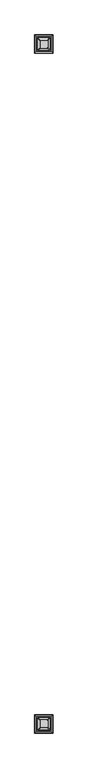
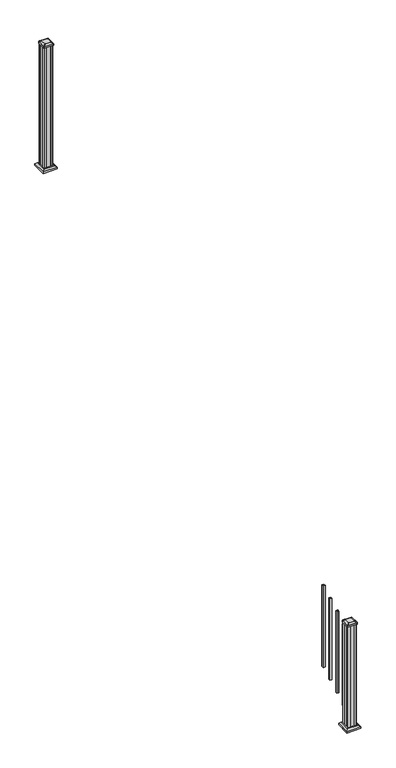
"""IFC4 building model written with IfcOpenShell, lengths in millimetres: railing geometry."""

import ifcopenshell
import ifcopenshell.guid

model = None  # the IFC model being written
_history = None  # IfcOwnerHistory: only IFC2X3 demands one
_inside = {}  # id of a spatial element -> (the spatial element, [elements in it])
_under = {}  # id of a project, library or spatial element -> (it, [spatial elements below it])
_declared = {}  # id of a project -> (the project, [libraries it declares])
_typed = {}  # id of a type object -> (the type object, [elements of that type])
_made_of = {}  # id of a material, layer set ... -> (it, [elements and type objects made of it])


def new_model(schema):
    """Start an empty IFC model of exactly this schema.

    Asked for "IFC4X3", IfcOpenShell would pick the latest addendum, in which some entities
    have other attributes; the version numbers below select the first issue.
    IFC2X3 requires an IfcOwnerHistory on every rooted entity: one is made here for all.
    """
    global model, _history
    if schema == "IFC4X3":
        model = ifcopenshell.file(schema_version=(4, 3, 0, 0))
    else:
        model = ifcopenshell.file(schema=schema)
    _inside.clear()
    _under.clear()
    _declared.clear()
    _typed.clear()
    _made_of.clear()
    _history = None
    if model.schema == "IFC2X3":
        org = make("IfcOrganization", Name="unknown")
        user = make(
            "IfcPersonAndOrganization",
            ThePerson=make("IfcPerson", FamilyName="unknown"),
            TheOrganization=org,
        )
        app = make(
            "IfcApplication",
            ApplicationDeveloper=org,
            Version="unknown",
            ApplicationFullName="unknown",
            ApplicationIdentifier="unknown",
        )
        _history = make(
            "IfcOwnerHistory",
            OwningUser=user,
            OwningApplication=app,
            ChangeAction="ADDED",
            CreationDate=0,
        )
    return model


def make(cls, **values):
    """One entity of the class cls with the attributes given. An attribute that is None is left unset."""
    return model.create_entity(
        cls, **{name: value for name, value in values.items() if value is not None}
    )


def rooted(cls, **values):
    """An entity with a GlobalId (a new one), such as an element, a storey or a relation."""
    return make(cls, GlobalId=ifcopenshell.guid.new(), OwnerHistory=_history, **values)


def si_unit(unit_type, name, prefix=None):
    """IfcSIUnit, for example si_unit("LENGTHUNIT", "METRE", prefix="MILLI")."""
    return make("IfcSIUnit", UnitType=unit_type, Prefix=prefix, Name=name)


def assignment(units):
    """IfcUnitAssignment: the units of a project."""
    return None if units is None else make("IfcUnitAssignment", Units=units)


def point(xyz):
    """IfcCartesianPoint."""
    return None if xyz is None else make("IfcCartesianPoint", Coordinates=xyz)


def direction(xyz):
    """IfcDirection."""
    return None if xyz is None else make("IfcDirection", DirectionRatios=xyz)


def frame(location, z_axis=None, x_axis=None):
    """IfcAxis2Placement3D, a coordinate frame: its origin and axes. An axis left out is left unset."""
    return make(
        "IfcAxis2Placement3D",
        Location=point(location),
        Axis=direction(z_axis),
        RefDirection=direction(x_axis),
    )


def frame_2d(location, x_axis=None):
    """IfcAxis2Placement2D, a coordinate frame in the plane: its origin and x axis."""
    return make(
        "IfcAxis2Placement2D", Location=point(location), RefDirection=direction(x_axis)
    )


def origin():
    """The frame at (0, 0, 0) with its axes left unset."""
    return frame((0.0, 0.0, 0.0))


def place(relative_to, where):
    """IfcLocalPlacement: puts the frame where relative to a parent placement (None: the world)."""
    return make(
        "IfcLocalPlacement", PlacementRelTo=relative_to, RelativePlacement=where
    )


def context(
    kind, dimensions, precision=None, world=None, true_north=None, identifier=None
):
    """IfcGeometricRepresentationContext, for example the 3D "Model" context."""
    return make(
        "IfcGeometricRepresentationContext",
        ContextIdentifier=identifier,
        ContextType=kind,
        CoordinateSpaceDimension=dimensions,
        Precision=precision,
        WorldCoordinateSystem=world,
        TrueNorth=true_north,
    )


def project(units=None, contexts=None):
    """IfcProject with its units and contexts."""
    return rooted(
        "IfcProject",
        Name="project",
        RepresentationContexts=contexts,
        UnitsInContext=assignment(units),
    )


def spatial(cls, under=None, at=None, **own):
    """A site, building, storey or space (cls), placed at a placement, below another one or the project."""
    s = rooted(cls, ObjectPlacement=at, **own)
    if under is not None:
        _under.setdefault(under.id(), (under, []))[1].append(s)
    return s


def polyline(points):
    """IfcPolyline through the points."""
    return make("IfcPolyline", Points=[point(p) for p in points])


def circle_curve(where, radius):
    """IfcCircle in the frame where."""
    return make("IfcCircle", Position=where, Radius=radius)


def trimmed(basis, trim1, trim2, sense, master):
    """IfcTrimmedCurve: the piece of a basis curve between two trims."""
    return make(
        "IfcTrimmedCurve",
        BasisCurve=basis,
        Trim1=trim1,
        Trim2=trim2,
        SenseAgreement=sense,
        MasterRepresentation=master,
    )


def segment(curve, same_sense, transition):
    """IfcCompositeCurveSegment."""
    return make(
        "IfcCompositeCurveSegment",
        Transition=transition,
        SameSense=same_sense,
        ParentCurve=curve,
    )


def composite_curve(segments, self_intersect=None):
    """IfcCompositeCurve: segments joined end to end."""
    return make("IfcCompositeCurve", Segments=segments, SelfIntersect=self_intersect)


def outline(outer, holes=None, kind="AREA"):
    """IfcArbitraryClosedProfileDef: a profile drawn as a closed curve; with holes, ...WithVoids."""
    if holes is None:
        return make("IfcArbitraryClosedProfileDef", ProfileType=kind, OuterCurve=outer)
    return make(
        "IfcArbitraryProfileDefWithVoids",
        ProfileType=kind,
        OuterCurve=outer,
        InnerCurves=holes,
    )


def extrude(swept, where, along, depth):
    """IfcExtrudedAreaSolid: the profile swept, set in the frame where, extruded along a direction by depth."""
    return make(
        "IfcExtrudedAreaSolid",
        SweptArea=swept,
        Position=where,
        ExtrudedDirection=direction(along),
        Depth=depth,
    )


def faces_of(points, faces, orient=None, outer=None):
    """IfcFace entities. A face is a list of loops; a loop is a list of indices into points, from 0.

    orient and outer hold one flag for each loop. By default every Orientation is true, the
    first loop of a face is its IfcFaceOuterBound and the others are IfcFaceBound.
    """
    made = []
    for i, loops in enumerate(faces):
        bounds = []
        for j, loop in enumerate(loops):
            is_outer = j == 0 if outer is None else outer[i][j]
            bounds.append(
                make(
                    "IfcFaceOuterBound" if is_outer else "IfcFaceBound",
                    Bound=make("IfcPolyLoop", Polygon=[points[k] for k in loop]),
                    Orientation=True if orient is None else orient[i][j],
                )
            )
        made.append(make("IfcFace", Bounds=bounds))
    return made


def faceted_brep(points, faces, orient=None, outer=None, voids=None):
    """IfcFacetedBrep: a solid bounded by flat faces; with voids (closed shells), ...WithVoids."""
    shared = [point(p) for p in points]
    hull = make("IfcClosedShell", CfsFaces=faces_of(shared, faces, orient, outer))
    if voids is None:
        return make("IfcFacetedBrep", Outer=hull)
    return make(
        "IfcFacetedBrepWithVoids",
        Outer=hull,
        Voids=[
            make(cls, CfsFaces=faces_of(shared, fs, o, b)) for cls, fs, o, b in voids
        ],
    )


def shape(context_of_items, identifier, shape_type, items):
    """IfcShapeRepresentation: the items that make up one representation, for example the "Body"."""
    return make(
        "IfcShapeRepresentation",
        ContextOfItems=context_of_items,
        RepresentationIdentifier=identifier,
        RepresentationType=shape_type,
        Items=items,
    )


def source(mapping_origin, context_of_items, identifier, shape_type, items):
    """IfcRepresentationMap: a shape defined once, which mapped items show again and again."""
    return make(
        "IfcRepresentationMap",
        MappingOrigin=mapping_origin,
        MappedRepresentation=shape(context_of_items, identifier, shape_type, items),
    )


def transform(
    local_origin,
    x_axis=None,
    y_axis=None,
    z_axis=None,
    scale=None,
    scale2=None,
    scale3=None,
    uniform=True,
):
    """IfcCartesianTransformationOperator3D, or its non-uniform kind. x_axis, y_axis, z_axis: its Axis1, 2, 3."""
    if uniform:
        return make(
            "IfcCartesianTransformationOperator3D",
            Axis1=direction(x_axis),
            Axis2=direction(y_axis),
            LocalOrigin=point(local_origin),
            Scale=scale,
            Axis3=direction(z_axis),
        )
    return make(
        "IfcCartesianTransformationOperator3DnonUniform",
        Axis1=direction(x_axis),
        Axis2=direction(y_axis),
        LocalOrigin=point(local_origin),
        Scale=scale,
        Axis3=direction(z_axis),
        Scale2=scale2,
        Scale3=scale3,
    )


def mapped(mapping_source, mapping_target):
    """IfcMappedItem: shows the shape of a source again, moved by a transform."""
    return make(
        "IfcMappedItem", MappingSource=mapping_source, MappingTarget=mapping_target
    )


def made_of(thing, what):
    """Note that an element or type object is made of a material, layer set ...; save() writes the relation."""
    if what is not None:
        _made_of.setdefault(what.id(), (what, []))[1].append(thing)
    return thing


def element(
    cls,
    number,
    at=None,
    inside=None,
    cuts=None,
    type_object=None,
    material=None,
    context=None,
    identifier="Body",
    shape_type=None,
    held_by="IfcProductDefinitionShape",
    body=None,
    shapes=None,
    **own,
):
    """One element of the class cls, such as IfcWall. Its Tag is "e" and its number.

    at: its placement. inside: the storey or other place that contains it. cuts: it is an
    opening in that element (IfcRelVoidsElement). A single representation is given by context,
    identifier, shape_type and body (its items); several are given by shapes. held_by: the class
    of the entity that holds the representations. save() writes the other relations.
    """
    e = rooted(cls, Tag="e%d" % number, ObjectPlacement=at, **own)
    if body is not None:
        shapes = [shape(context, identifier, shape_type, body)]
    if shapes is not None:
        e.Representation = make(held_by, Representations=shapes)
    if inside is not None:
        _inside.setdefault(inside.id(), (inside, []))[1].append(e)
    if cuts is not None:
        rooted(
            "IfcRelVoidsElement", RelatingBuildingElement=cuts, RelatedOpeningElement=e
        )
    if type_object is not None:
        _typed.setdefault(type_object.id(), (type_object, []))[1].append(e)
    return made_of(e, material)


def aggregate(whole, parts):
    """IfcRelAggregates: a whole, such as a stair, and the parts it consists of."""
    return rooted("IfcRelAggregates", RelatingObject=whole, RelatedObjects=parts)


def save(model, path):
    """Write the relations noted so far, then the file.

    IfcRelAggregates (storeys below a building ...), IfcRelContainedInSpatialStructure (elements
    in a storey), IfcRelDefinesByType, IfcRelAssociatesMaterial and IfcRelDeclares: one each for
    every whole, place, type object, material and project.
    """
    for whole, parts in _under.values():
        aggregate(whole, parts)
    for where, things in _inside.values():
        rooted(
            "IfcRelContainedInSpatialStructure",
            RelatedElements=things,
            RelatingStructure=where,
        )
    for kind, things in _typed.values():
        rooted("IfcRelDefinesByType", RelatedObjects=things, RelatingType=kind)
    for what, things in _made_of.values():
        rooted("IfcRelAssociatesMaterial", RelatedObjects=things, RelatingMaterial=what)
    for by, libraries in _declared.values():
        rooted("IfcRelDeclares", RelatingContext=by, RelatedDefinitions=libraries)
    model.write(path)


def plane_surface(at):
    """IfcPlane: the flat surface through the origin of the frame at, square to its z axis."""
    return make("IfcPlane", Position=at)


def extruded_surface(curve, direction_of_extrusion, depth):
    """IfcSurfaceOfLinearExtrusion: the curve pushed along a direction by depth."""
    return make(
        "IfcSurfaceOfLinearExtrusion",
        SweptCurve=make("IfcArbitraryOpenProfileDef", ProfileType="CURVE", Curve=curve),
        ExtrudedDirection=direction(direction_of_extrusion),
        Depth=depth,
    )


def advanced_brep(points, edges, surfaces, faces):
    """IfcAdvancedBrep: a solid bounded by faces that lie on surfaces and meet in shared edges.

    An edge is (start, end): straight between two places in points (the first is 0);
    or (start, end, curve); or (start, end, curve, False) where it runs against its curve.
    A face is (place in surfaces, loops), or (place, loops, False) where it looks against
    its surface's normal. A loop lists edges by number (the first is 1), with a minus sign
    where the edge is run from its end to its start. The first loop is the outer one.
    """
    corners = [point(p) for p in points]
    vertices = [make("IfcVertexPoint", VertexGeometry=c) for c in corners]
    made = []
    for start, end, *more in edges:
        made.append(
            make(
                "IfcEdgeCurve",
                EdgeStart=vertices[start],
                EdgeEnd=vertices[end],
                EdgeGeometry=more[0] if more else make("IfcPolyline", Points=[corners[start], corners[end]]),
                SameSense=more[1] if len(more) > 1 else True,
            )
        )
    hull = []
    for where, loops, *sense in faces:
        bounds = []
        for j, loop in enumerate(loops):
            ring = [make("IfcOrientedEdge", EdgeElement=made[abs(k) - 1], Orientation=k > 0) for k in loop]
            bounds.append(
                make(
                    "IfcFaceOuterBound" if j == 0 else "IfcFaceBound",
                    Bound=make("IfcEdgeLoop", EdgeList=ring),
                    Orientation=True,
                )
            )
        hull.append(make("IfcAdvancedFace", Bounds=bounds, FaceSurface=surfaces[where], SameSense=sense[0] if sense else True))
    return make("IfcAdvancedBrep", Outer=make("IfcClosedShell", CfsFaces=hull))


def railing_377e6600(model_context):
    return source(origin(), model_context, "Body", "SolidModel", [
        extrude(outline(polyline([(11118.6692659, 2155.5355319), (11118.6692659, 2174.5855319), (11137.7192659, 2174.5855319), (11137.7192659, 2155.5355319), (11118.6692659, 2155.5355319)]), holes=[polyline([(11119.0661409, 2155.9324069), (11137.3223909, 2155.9324069), (11137.3223909, 2174.1886569), (11119.0661409, 2174.1886569), (11119.0661409, 2155.9324069)])]), frame((0.0, 0.0, 485.4181003), z_axis=(0.0, 0.0, 1.0), x_axis=(1.0, 0.0, 0.0)), (0.0, 0.0, 1.0), 812.8041219),
        extrude(outline(polyline([(11118.6692659, 2044.2835319), (11118.6692659, 2063.3335319), (11137.7192659, 2063.3335319), (11137.7192659, 2044.2835319), (11118.6692659, 2044.2835319)]), holes=[polyline([(11119.0661409, 2044.6804069), (11137.3223909, 2044.6804069), (11137.3223909, 2062.9366569), (11119.0661409, 2062.9366569), (11119.0661409, 2044.6804069)])]), frame((0.0, 0.0, 423.6114336), z_axis=(0.0, 0.0, 1.0), x_axis=(1.0, 0.0, 0.0)), (0.0, 0.0, 1.0), 812.8041219),
        extrude(outline(polyline([(11118.6692659, 1933.0315319), (11118.6692659, 1952.0815319), (11137.7192659, 1952.0815319), (11137.7192659, 1933.0315319), (11118.6692659, 1933.0315319)]), holes=[polyline([(11119.0661409, 1933.4284069), (11137.3223909, 1933.4284069), (11137.3223909, 1951.6846569), (11119.0661409, 1951.6846569), (11119.0661409, 1933.4284069)])]), frame((0.0, 0.0, 361.804767), z_axis=(0.0, 0.0, 1.0), x_axis=(1.0, 0.0, 0.0)), (0.0, 0.0, 1.0), 812.8041219),
        extrude(outline(polyline([(11118.6692659, 1821.7795319), (11118.6692659, 1840.8295319), (11137.7192659, 1840.8295319), (11137.7192659, 1821.7795319), (11118.6692659, 1821.7795319)]), holes=[polyline([(11119.0661409, 1822.1764069), (11137.3223909, 1822.1764069), (11137.3223909, 1840.4326569), (11119.0661409, 1840.4326569), (11119.0661409, 1822.1764069)])]), frame((0.0, 0.0, 299.9981003), z_axis=(0.0, 0.0, 1.0), x_axis=(1.0, 0.0, 0.0)), (0.0, 0.0, 1.0), 812.8041219),
        extrude(outline(polyline([(11167.8817659, 6655.9075319), (11148.2602659, 6655.9075319), (11147.4982659, 6657.4950319), (11108.8902659, 6657.4950319), (11108.1282659, 6655.9075319), (11088.5067659, 6655.9075319), (11086.9192659, 6657.4950319), (11086.9192659, 6677.1165319), (11088.5067659, 6677.8785319), (11088.5067659, 6716.4865319), (11086.9192659, 6717.2485319), (11086.9192659, 6736.8700319), (11088.5067659, 6738.4575319), (11108.1282659, 6738.4575319), (11108.8902659, 6736.8700319), (11147.4982659, 6736.8700319), (11148.2602659, 6738.4575319), (11167.8817659, 6738.4575319), (11169.4692659, 6736.8700319), (11169.4692659, 6717.2485319), (11167.8817659, 6716.4865319), (11167.8817659, 6677.8785319), (11169.4692659, 6677.1165319), (11169.4692659, 6657.4950319), (11167.8817659, 6655.9075319)])), frame((0.0, 0.0, 2709.3333333), z_axis=(0.0, 0.0, 1.0), x_axis=(1.0, 0.0, 0.0)), (0.0, 0.0, 1.0), 1223.6987075),
        faceted_brep([(11075.6083284, 6644.5965944, 2737.9083333), (11180.7802034, 6644.5965944, 2737.9083333), (11180.7802034, 6749.7684694, 2737.9083333), (11075.6083284, 6749.7684694, 2737.9083333), (11061.5688753, 6630.5571413, 2724.5733333), (11061.5688753, 6763.8079225, 2724.5733333), (11194.8196565, 6763.8079225, 2724.5733333), (11194.8196565, 6630.5571413, 2724.5733333)], [[[0, 1, 2, 3]], [[4, 5, 6, 7]], [[4, 7, 1, 0]], [[7, 6, 2, 1]], [[6, 5, 3, 2]], [[5, 4, 0, 3]]]),
        extrude(outline(polyline([(11061.5688753, 6630.5571413), (11061.5688753, 6763.8079225), (11194.8196565, 6763.8079225), (11194.8196565, 6630.5571413), (11061.5688753, 6630.5571413)])), frame((0.0, 0.0, 2709.3333333), z_axis=(0.0, 0.0, 1.0), x_axis=(1.0, 0.0, 0.0)), (0.0, 0.0, 1.0), 15.24),
        advanced_brep(
        [(11153.9911409, 6668.2106569, 3961.6070408), (11157.1661409, 6671.3856569, 3961.6070408), (11157.1661409, 6722.9794069, 3961.6070408), (11153.9911409, 6726.1544069, 3961.6070408), (11102.3973909, 6726.1544069, 3961.6070408), (11099.2223909, 6722.9794069, 3961.6070408), (11099.2223909, 6671.3856569, 3961.6070408), (11102.3973909, 6668.2106569, 3961.6070408), (11170.2630159, 6651.9387819, 3950.3040408), (11086.1255159, 6651.9387819, 3950.3040408), (11082.9505159, 6655.1137819, 3950.3040408), (11082.9505159, 6739.2512819, 3950.3040408), (11086.1255159, 6742.4262819, 3950.3040408), (11170.2630159, 6742.4262819, 3950.3040408), (11173.4380159, 6739.2512819, 3950.3040408), (11173.4380159, 6655.1137819, 3950.3040408)],
        [
            (0, 1, circle_curve(frame((11153.9911409, 6671.3856569, 3961.6070408), z_axis=(0.0, 0.0, 1.0), x_axis=(0.0, 1.0, 0.0)), 3.175)),
            (1, 2),
            (2, 3, circle_curve(frame((11153.9911409, 6722.9794069, 3961.6070408), z_axis=(0.0, 0.0, 1.0), x_axis=(0.0, 1.0, 0.0)), 3.175)),
            (3, 4),
            (4, 5, circle_curve(frame((11102.3973909, 6722.9794069, 3961.6070408), z_axis=(0.0, 0.0, 1.0), x_axis=(0.0, 1.0, 0.0)), 3.175)),
            (5, 6),
            (6, 7, circle_curve(frame((11102.3973909, 6671.3856569, 3961.6070408), z_axis=(0.0, 0.0, 1.0), x_axis=(0.0, 1.0, 0.0)), 3.175)),
            (7, 0),
            (8, 9),
            (9, 10, circle_curve(frame((11086.1255159, 6655.1137819, 3950.3040408), z_axis=(0.0, 0.0, -1.0), x_axis=(0.0, 1.0, 0.0)), 3.175)),
            (10, 11),
            (11, 12, circle_curve(frame((11086.1255159, 6739.2512819, 3950.3040408), z_axis=(0.0, 0.0, -1.0), x_axis=(0.0, 1.0, 0.0)), 3.175)),
            (12, 13),
            (13, 14, circle_curve(frame((11170.2630159, 6739.2512819, 3950.3040408), z_axis=(0.0, 0.0, -1.0), x_axis=(0.0, 1.0, 0.0)), 3.175)),
            (14, 15),
            (15, 8, circle_curve(frame((11170.2630159, 6655.1137819, 3950.3040408), z_axis=(0.0, 0.0, -1.0), x_axis=(0.0, 1.0, 0.0)), 3.175)),
            (15, 1),
            (0, 8),
            (14, 2),
            (13, 3),
            (12, 4),
            (11, 5),
            (10, 6),
            (9, 7),
        ],
        [
            plane_surface(frame((11128.1942659, 6697.1825319, 3961.6070408), z_axis=(0.0, 0.0, 1.0), x_axis=(1.0, 0.0, 0.0))),
            plane_surface(frame((11128.1942659, 6697.1825319, 3950.3040408), z_axis=(0.0, 0.0, -1.0), x_axis=(1.0, 0.0, 0.0))),
            extruded_surface(trimmed(circle_curve(frame((11170.2630159, 6655.1137819, 3950.3040408), z_axis=(0.0, 0.0, 1.0), x_axis=(0.0, 1.0, 0.0)), 3.175), [point((11170.2630159, 6651.9387819, 3950.3040408))], [point((11173.4380159, 6655.1137819, 3950.3040408))], True, "CARTESIAN"), (-16.271875000000364, 16.271875000000364, 11.302999999999884), 25.63797263886657),
            plane_surface(frame((11173.4380159, 6697.1825319, 3950.3040408), z_axis=(0.5705009161540686, 0.0, 0.8212969649690474), x_axis=(0.0, 1.0, 0.0))),
            extruded_surface(trimmed(circle_curve(frame((11170.2630159, 6739.2512819, 3950.3040408), z_axis=(0.0, 0.0, 1.0), x_axis=(0.0, 1.0, 0.0)), 3.175), [point((11173.4380159, 6739.2512819, 3950.3040408))], [point((11170.2630159, 6742.4262819, 3950.3040408))], True, "CARTESIAN"), (-16.271875000000364, -16.271875000000364, 11.302999999999884), 25.63797263886657),
            plane_surface(frame((11128.1942659, 6742.4262819, 3950.3040408), z_axis=(0.0, 0.5705009161540291, 0.8212969649690747), x_axis=(-1.0, 0.0, 0.0))),
            extruded_surface(trimmed(circle_curve(frame((11086.1255159, 6739.2512819, 3950.3040408), z_axis=(0.0, 0.0, 1.0), x_axis=(0.0, 1.0, 0.0)), 3.175), [point((11086.1255159, 6742.4262819, 3950.3040408))], [point((11082.9505159, 6739.2512819, 3950.3040408))], True, "CARTESIAN"), (16.271875000000364, -16.271875000000364, 11.302999999999884), 25.63797263886657),
            plane_surface(frame((11082.9505159, 6697.1825319, 3950.3040408), z_axis=(-0.5705009161540234, 0.0, 0.8212969649690787), x_axis=(0.0, -1.0, 0.0))),
            extruded_surface(trimmed(circle_curve(frame((11086.1255159, 6655.1137819, 3950.3040408), z_axis=(0.0, 0.0, 1.0), x_axis=(0.0, 1.0, 0.0)), 3.175), [point((11082.9505159, 6655.1137819, 3950.3040408))], [point((11086.1255159, 6651.9387819, 3950.3040408))], True, "CARTESIAN"), (16.271875000000364, 16.271875000000364, 11.302999999999884), 25.63797263886657),
            plane_surface(frame((11128.1942659, 6651.9387819, 3950.3040408), z_axis=(0.0, -0.570500916154034, 0.8212969649690713), x_axis=(1.0, 0.0, 0.0))),
        ],
        [
            (0, [[1, 2, 3, 4, 5, 6, 7, 8]]),
            (1, [[9, 10, 11, 12, 13, 14, 15, 16]]),
            (2, [[-16, 17, -1, 18]]),
            (3, [[-15, 19, -2, -17]]),
            (4, [[-14, 20, -3, -19]]),
            (5, [[-13, 21, -4, -20]]),
            (6, [[-12, 22, -5, -21]]),
            (7, [[-11, 23, -6, -22]]),
            (8, [[-10, 24, -7, -23]]),
            (9, [[-9, -18, -8, -24]]),
        ],
    ),
        extrude(outline(composite_curve([segment(polyline([(11170.2630159, 6651.9387819), (11086.1255159, 6651.9387819)]), True, "CONTINUOUS"), segment(trimmed(circle_curve(frame_2d((11086.1255159, 6655.1137819)), 3.175), [point((11086.1255159, 6651.9387819))], [point((11082.9505159, 6655.1137819))], False, "CARTESIAN"), True, "CONTINUOUS"), segment(polyline([(11082.9505159, 6655.1137819), (11082.9505159, 6739.2512819)]), True, "CONTINUOUS"), segment(trimmed(circle_curve(frame_2d((11086.1255159, 6739.2512819)), 3.175), [point((11082.9505159, 6739.2512819))], [point((11086.1255159, 6742.4262819))], False, "CARTESIAN"), True, "CONTINUOUS"), segment(polyline([(11086.1255159, 6742.4262819), (11170.2630159, 6742.4262819)]), True, "CONTINUOUS"), segment(trimmed(circle_curve(frame_2d((11170.2630159, 6739.2512819)), 3.175), [point((11170.2630159, 6742.4262819))], [point((11173.4380159, 6739.2512819))], False, "CARTESIAN"), True, "CONTINUOUS"), segment(polyline([(11173.4380159, 6739.2512819), (11173.4380159, 6655.1137819)]), True, "CONTINUOUS"), segment(trimmed(circle_curve(frame_2d((11170.2630159, 6655.1137819)), 3.175), [point((11173.4380159, 6655.1137819))], [point((11170.2630159, 6651.9387819))], False, "CARTESIAN"), True, "CONTINUOUS")], self_intersect=False)), frame((0.0, 0.0, 3933.0320408), z_axis=(0.0, 0.0, 1.0), x_axis=(1.0, 0.0, 0.0)), (0.0, 0.0, 1.0), 17.272),
        faceted_brep([(11075.6083284, 1684.9925944, 174.9072222), (11180.7802034, 1684.9925944, 174.9072222), (11180.7802034, 1790.1644694, 174.9072222), (11075.6083284, 1790.1644694, 174.9072222), (11061.5688753, 1670.9531413, 161.5722222), (11061.5688753, 1804.2039225, 161.5722222), (11194.8196565, 1804.2039225, 161.5722222), (11194.8196565, 1670.9531413, 161.5722222)], [[[0, 1, 2, 3]], [[4, 5, 6, 7]], [[4, 7, 1, 0]], [[7, 6, 2, 1]], [[6, 5, 3, 2]], [[5, 4, 0, 3]]]),
        extrude(outline(polyline([(11061.5688753, 1670.9531413), (11061.5688753, 1804.2039225), (11194.8196565, 1804.2039225), (11194.8196565, 1670.9531413), (11061.5688753, 1670.9531413)])), frame((0.0, 0.0, 146.3322222), z_axis=(0.0, 0.0, 1.0), x_axis=(1.0, 0.0, 0.0)), (0.0, 0.0, 1.0), 15.24),
        advanced_brep(
        [(11153.9911409, 1708.6066569, 1206.2714852), (11157.1661409, 1711.7816569, 1206.2714852), (11157.1661409, 1763.3754069, 1206.2714852), (11153.9911409, 1766.5504069, 1206.2714852), (11102.3973909, 1766.5504069, 1206.2714852), (11099.2223909, 1763.3754069, 1206.2714852), (11099.2223909, 1711.7816569, 1206.2714852), (11102.3973909, 1708.6066569, 1206.2714852), (11170.2630159, 1692.3347819, 1194.9684852), (11086.1255159, 1692.3347819, 1194.9684852), (11082.9505159, 1695.5097819, 1194.9684852), (11082.9505159, 1779.6472819, 1194.9684852), (11086.1255159, 1782.8222819, 1194.9684852), (11170.2630159, 1782.8222819, 1194.9684852), (11173.4380159, 1779.6472819, 1194.9684852), (11173.4380159, 1695.5097819, 1194.9684852)],
        [
            (0, 1, circle_curve(frame((11153.9911409, 1711.7816569, 1206.2714852), z_axis=(0.0, 0.0, 1.0), x_axis=(0.0, 1.0, 0.0)), 3.175)),
            (1, 2),
            (2, 3, circle_curve(frame((11153.9911409, 1763.3754069, 1206.2714852), z_axis=(0.0, 0.0, 1.0), x_axis=(0.0, 1.0, 0.0)), 3.175)),
            (3, 4),
            (4, 5, circle_curve(frame((11102.3973909, 1763.3754069, 1206.2714852), z_axis=(0.0, 0.0, 1.0), x_axis=(0.0, 1.0, 0.0)), 3.175)),
            (5, 6),
            (6, 7, circle_curve(frame((11102.3973909, 1711.7816569, 1206.2714852), z_axis=(0.0, 0.0, 1.0), x_axis=(0.0, 1.0, 0.0)), 3.175)),
            (7, 0),
            (8, 9),
            (9, 10, circle_curve(frame((11086.1255159, 1695.5097819, 1194.9684852), z_axis=(0.0, 0.0, -1.0), x_axis=(0.0, 1.0, 0.0)), 3.175)),
            (10, 11),
            (11, 12, circle_curve(frame((11086.1255159, 1779.6472819, 1194.9684852), z_axis=(0.0, 0.0, -1.0), x_axis=(0.0, 1.0, 0.0)), 3.175)),
            (12, 13),
            (13, 14, circle_curve(frame((11170.2630159, 1779.6472819, 1194.9684852), z_axis=(0.0, 0.0, -1.0), x_axis=(0.0, 1.0, 0.0)), 3.175)),
            (14, 15),
            (15, 8, circle_curve(frame((11170.2630159, 1695.5097819, 1194.9684852), z_axis=(0.0, 0.0, -1.0), x_axis=(0.0, 1.0, 0.0)), 3.175)),
            (15, 1),
            (0, 8),
            (14, 2),
            (13, 3),
            (12, 4),
            (11, 5),
            (10, 6),
            (9, 7),
        ],
        [
            plane_surface(frame((11128.1942659, 1737.5785319, 1206.2714852), z_axis=(0.0, 0.0, 1.0), x_axis=(1.0, 0.0, 0.0))),
            plane_surface(frame((11128.1942659, 1737.5785319, 1194.9684852), z_axis=(0.0, 0.0, -1.0), x_axis=(1.0, 0.0, 0.0))),
            extruded_surface(trimmed(circle_curve(frame((11170.2630159, 1695.5097819, 1194.9684852), z_axis=(0.0, 0.0, 1.0), x_axis=(0.0, 1.0, 0.0)), 3.175), [point((11170.2630159, 1692.3347819, 1194.9684852))], [point((11173.4380159, 1695.5097819, 1194.9684852))], True, "CARTESIAN"), (-16.271875000000364, 16.27187499999991, 11.302999999999884), 25.637972638866284),
            plane_surface(frame((11173.4380159, 1737.5785319, 1194.9684852), z_axis=(0.5705009161540778, 0.0, 0.8212969649690408), x_axis=(0.0, 1.0, 0.0))),
            extruded_surface(trimmed(circle_curve(frame((11170.2630159, 1779.6472819, 1194.9684852), z_axis=(0.0, 0.0, 1.0), x_axis=(0.0, 1.0, 0.0)), 3.175), [point((11173.4380159, 1779.6472819, 1194.9684852))], [point((11170.2630159, 1782.8222819, 1194.9684852))], True, "CARTESIAN"), (-16.271875000000364, -16.271875000000136, 11.302999999999884), 25.637972638866426),
            plane_surface(frame((11128.1942659, 1782.8222819, 1194.9684852), z_axis=(0.0, 0.5705009161540291, 0.8212969649690747), x_axis=(-1.0, 0.0, 0.0))),
            extruded_surface(trimmed(circle_curve(frame((11086.1255159, 1779.6472819, 1194.9684852), z_axis=(0.0, 0.0, 1.0), x_axis=(0.0, 1.0, 0.0)), 3.175), [point((11086.1255159, 1782.8222819, 1194.9684852))], [point((11082.9505159, 1779.6472819, 1194.9684852))], True, "CARTESIAN"), (16.271875000000364, -16.271875000000136, 11.302999999999884), 25.637972638866426),
            plane_surface(frame((11082.9505159, 1737.5785319, 1194.9684852), z_axis=(-0.5705009161540142, 0.0, 0.8212969649690851), x_axis=(0.0, -1.0, 0.0))),
            extruded_surface(trimmed(circle_curve(frame((11086.1255159, 1695.5097819, 1194.9684852), z_axis=(0.0, 0.0, 1.0), x_axis=(0.0, 1.0, 0.0)), 3.175), [point((11082.9505159, 1695.5097819, 1194.9684852))], [point((11086.1255159, 1692.3347819, 1194.9684852))], True, "CARTESIAN"), (16.271875000000364, 16.27187499999991, 11.302999999999884), 25.637972638866284),
            plane_surface(frame((11128.1942659, 1692.3347819, 1194.9684852), z_axis=(0.0, -0.570500916154034, 0.8212969649690713), x_axis=(1.0, 0.0, 0.0))),
        ],
        [
            (0, [[1, 2, 3, 4, 5, 6, 7, 8]]),
            (1, [[9, 10, 11, 12, 13, 14, 15, 16]]),
            (2, [[-16, 17, -1, 18]]),
            (3, [[-15, 19, -2, -17]]),
            (4, [[-14, 20, -3, -19]]),
            (5, [[-13, 21, -4, -20]]),
            (6, [[-12, 22, -5, -21]]),
            (7, [[-11, 23, -6, -22]]),
            (8, [[-10, 24, -7, -23]]),
            (9, [[-9, -18, -8, -24]]),
        ],
    ),
        extrude(outline(composite_curve([segment(polyline([(11170.2630159, 1692.3347819), (11086.1255159, 1692.3347819)]), True, "CONTINUOUS"), segment(trimmed(circle_curve(frame_2d((11086.1255159, 1695.5097819)), 3.175), [point((11086.1255159, 1692.3347819))], [point((11082.9505159, 1695.5097819))], False, "CARTESIAN"), True, "CONTINUOUS"), segment(polyline([(11082.9505159, 1695.5097819), (11082.9505159, 1779.6472819)]), True, "CONTINUOUS"), segment(trimmed(circle_curve(frame_2d((11086.1255159, 1779.6472819)), 3.175), [point((11082.9505159, 1779.6472819))], [point((11086.1255159, 1782.8222819))], False, "CARTESIAN"), True, "CONTINUOUS"), segment(polyline([(11086.1255159, 1782.8222819), (11170.2630159, 1782.8222819)]), True, "CONTINUOUS"), segment(trimmed(circle_curve(frame_2d((11170.2630159, 1779.6472819)), 3.175), [point((11170.2630159, 1782.8222819))], [point((11173.4380159, 1779.6472819))], False, "CARTESIAN"), True, "CONTINUOUS"), segment(polyline([(11173.4380159, 1779.6472819), (11173.4380159, 1695.5097819)]), True, "CONTINUOUS"), segment(trimmed(circle_curve(frame_2d((11170.2630159, 1695.5097819)), 3.175), [point((11173.4380159, 1695.5097819))], [point((11170.2630159, 1692.3347819))], False, "CARTESIAN"), True, "CONTINUOUS")], self_intersect=False)), frame((0.0, 0.0, 1177.6964852), z_axis=(0.0, 0.0, 1.0), x_axis=(1.0, 0.0, 0.0)), (0.0, 0.0, 1.0), 17.272),
        extrude(outline(polyline([(11167.8817659, 1696.3035319), (11148.2602659, 1696.3035319), (11147.4982659, 1697.8910319), (11108.8902659, 1697.8910319), (11108.1282659, 1696.3035319), (11088.5067659, 1696.3035319), (11086.9192659, 1697.8910319), (11086.9192659, 1717.5125319), (11088.5067659, 1718.2745319), (11088.5067659, 1756.8825319), (11086.9192659, 1757.6445319), (11086.9192659, 1777.2660319), (11088.5067659, 1778.8535319), (11108.1282659, 1778.8535319), (11108.8902659, 1777.2660319), (11147.4982659, 1777.2660319), (11148.2602659, 1778.8535319), (11167.8817659, 1778.8535319), (11169.4692659, 1777.2660319), (11169.4692659, 1757.6445319), (11167.8817659, 1756.8825319), (11167.8817659, 1718.2745319), (11169.4692659, 1717.5125319), (11169.4692659, 1697.8910319), (11167.8817659, 1696.3035319)])), frame((0.0, 0.0, 146.3322222), z_axis=(0.0, 0.0, 1.0), x_axis=(1.0, 0.0, 0.0)), (0.0, 0.0, 1.0), 1031.364263),
    ])


if __name__ == "__main__":
    model = new_model("IFC4")
    model_context = context("Model", 3, world=origin())
    ifc_project = project(units=[si_unit("LENGTHUNIT", "METRE", prefix="MILLI")], contexts=[model_context])
    site = spatial("IfcSite", under=ifc_project)
    building = spatial("IfcBuilding", under=site)
    placement = place(None, origin())
    railing_shape = railing_377e6600(model_context)
    element("IfcRailing", 1, at=placement, inside=building, context=model_context, shape_type="MappedRepresentation", body=[
        mapped(railing_shape, transform((0.0, 0.0, 0.0), x_axis=(1.0, 0.0, 0.0), y_axis=(0.0, 1.0, 0.0), z_axis=(0.0, 0.0, 1.0))),
    ])
    save(model, "model.ifc")
